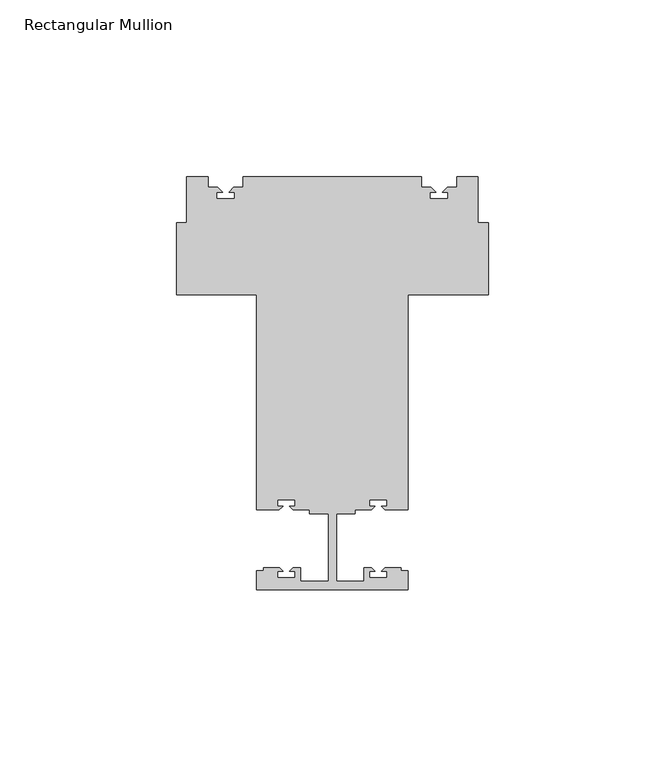
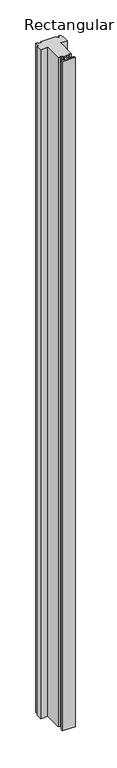
"""IFC4 building model written with IfcOpenShell, lengths in millimetres: member geometry, Rectangular Mullion."""

from ifc_helpers import new_model, si_unit, origin, place, context, project, spatial, faceted_brep, source, transform, mapped, element, save


def rectangular_mullion_779a1a0b(model_context):
    return source(origin(), model_context, "Body", "Brep", [
        faceted_brep([(21.43125, -44.45, 0.0), (21.43125, -39.0499999, 0.0), (19.4312697, -39.0499999, 0.0), (19.4312697, -38.1500001, 0.0), (14.956995, -38.1500001, 0.0), (13.9570068, -39.1499883, 0.0), (15.5312657, -39.1499883, 0.0), (15.5312657, -40.9499906, 0.0), (10.5312709, -40.9499906, 0.0), (10.5312709, -39.1499883, 0.0), (12.1054943, -39.1499883, 0.0), (11.1054957, -38.1499897, 0.0), (9.0312354, -38.1499897, 0.0), (9.0312354, -41.95, 0.0), (1.13125, -41.95, 0.0), (1.13125, -22.9499974, 0.0), (6.43125, -22.9499974, 0.0), (6.43125, -21.7499976, 0.0), (11.1055029, -21.7499976, 0.0), (12.1055174, -20.7499831, 0.0), (10.5312445, -20.7499831, 0.0), (10.5312445, -18.9499947, 0.0), (15.5312393, -18.9499947, 0.0), (15.5312393, -20.7499831, 0.0), (13.9617203, -20.7499831, 0.0), (14.9617331, -21.7499959, 0.0), (21.4313875, -21.7499976, 0.0), (21.4313875, 39.1493794, 0.0), (44.1312596, 39.1493794, 0.0), (44.1312596, 59.53125, 0.0), (41.2313739, 59.53125, 0.0), (41.2313739, 72.5068025, 0.0), (35.2311362, 72.5068025, 0.0), (35.2311362, 69.5068082, 0.0), (32.5568722, 69.5068082, 0.0), (31.1568721, 68.1068081, 0.0), (32.7811363, 68.1068081, 0.0), (32.7811363, 66.306808, 0.0), (27.681136, 66.306808, 0.0), (27.681136, 68.1068081, 0.0), (29.3054001, 68.1068081, 0.0), (27.9054, 69.5068082, 0.0), (25.2311362, 69.5068082, 0.0), (25.2311362, 72.5068025, 0.0), (-25.2311362, 72.5068025, 0.0), (-25.2311362, 69.5068082, 0.0), (-27.9054, 69.5068082, 0.0), (-29.3054001, 68.1068081, 0.0), (-27.681136, 68.1068081, 0.0), (-27.681136, 66.306808, 0.0), (-32.7811363, 66.306808, 0.0), (-32.7811363, 68.1068081, 0.0), (-31.1568721, 68.1068081, 0.0), (-32.5568722, 69.5068082, 0.0), (-35.2311362, 69.5068082, 0.0), (-35.2311362, 72.5068025, 0.0), (-41.2313739, 72.5068025, 0.0), (-41.2313739, 59.53125, 0.0), (-44.1312596, 59.53125, 0.0), (-44.1312596, 39.1493794, 0.0), (-21.4313875, 39.1493794, 0.0), (-21.4313875, -21.7499976, 0.0), (-15.0872273, -21.7499976, 0.0), (-13.9617203, -20.7499831, 0.0), (-15.5312393, -20.7499831, 0.0), (-15.5312393, -18.9499947, 0.0), (-10.5312445, -18.9499947, 0.0), (-10.5312445, -20.7499831, 0.0), (-12.1055174, -20.7499831, 0.0), (-11.1055029, -21.7499976, 0.0), (-6.43125, -21.7499976, 0.0), (-6.43125, -22.9499974, 0.0), (-1.13125, -22.9499974, 0.0), (-1.13125, -41.95, 0.0), (-9.0312354, -41.95, 0.0), (-9.0312354, -38.1499897, 0.0), (-11.1054957, -38.1499897, 0.0), (-12.1054943, -39.1499883, 0.0), (-10.5312709, -39.1499883, 0.0), (-10.5312709, -40.9499906, 0.0), (-15.5312657, -40.9499906, 0.0), (-15.5312657, -39.1499883, 0.0), (-13.9570068, -39.1499883, 0.0), (-14.956995, -38.1500001, 0.0), (-19.4312697, -38.1500001, 0.0), (-19.4312697, -39.0499999, 0.0), (-21.43125, -39.0499999, 0.0), (-21.43125, -44.45, 0.0), (21.43125, -44.45, -2336.8), (-21.43125, -44.45, -2336.8), (-21.43125, -39.0499999, -2336.8), (-19.4312697, -39.0499999, -2336.8), (-19.4312697, -38.1500001, -2336.8), (-14.956995, -38.1500001, -2336.8), (-13.9570068, -39.1499883, -2336.8), (-15.5312657, -39.1499883, -2336.8), (-15.5312657, -40.9499906, -2336.8), (-10.5312709, -40.9499906, -2336.8), (-10.5312709, -39.1499883, -2336.8), (-12.1054943, -39.1499883, -2336.8), (-11.1054957, -38.1499897, -2336.8), (-9.0312354, -38.1499897, -2336.8), (-9.0312354, -41.95, -2336.8), (-1.13125, -41.95, -2336.8), (-1.13125, -22.9499974, -2336.8), (-6.43125, -22.9499974, -2336.8), (-6.43125, -21.7499976, -2336.8), (-11.1055029, -21.7499976, -2336.8), (-12.1055174, -20.7499831, -2336.8), (-10.5312445, -20.7499831, -2336.8), (-10.5312445, -18.9499947, -2336.8), (-15.5312393, -18.9499947, -2336.8), (-15.5312393, -20.7499831, -2336.8), (-13.9617203, -20.7499831, -2336.8), (-14.9617331, -21.7499959, -2336.8), (-21.4313875, -21.7499976, -2336.8), (-21.4313875, 39.1493794, -2336.8), (-44.1312596, 39.1493794, -2336.8), (-44.1312596, 59.53125, -2336.8), (-41.2313739, 59.53125, -2336.8), (-41.2313739, 72.5068025, -2336.8), (-35.2311362, 72.5068025, -2336.8), (-35.2311362, 69.5068082, -2336.8), (-32.5568722, 69.5068082, -2336.8), (-31.1568721, 68.1068081, -2336.8), (-32.7811363, 68.1068081, -2336.8), (-32.7811363, 66.306808, -2336.8), (-27.681136, 66.306808, -2336.8), (-27.681136, 68.1068081, -2336.8), (-29.3054001, 68.1068081, -2336.8), (-27.9054, 69.5068082, -2336.8), (-25.2311362, 69.5068082, -2336.8), (-25.2311362, 72.5068025, -2336.8), (25.2311362, 72.5068025, -2336.8), (25.2311362, 69.5068082, -2336.8), (27.9054, 69.5068082, -2336.8), (29.3054001, 68.1068081, -2336.8), (27.681136, 68.1068081, -2336.8), (27.681136, 66.306808, -2336.8), (32.7811363, 66.306808, -2336.8), (32.7811363, 68.1068081, -2336.8), (31.1568721, 68.1068081, -2336.8), (32.5568722, 69.5068082, -2336.8), (35.2311362, 69.5068082, -2336.8), (35.2311362, 72.5068025, -2336.8), (41.2313739, 72.5068025, -2336.8), (41.2313739, 59.53125, -2336.8), (44.1312596, 59.53125, -2336.8), (44.1312596, 39.1493794, -2336.8), (21.4313875, 39.1493794, -2336.8), (21.4313875, -21.7499976, -2336.8), (15.0872273, -21.7499976, -2336.8), (13.9617203, -20.7499831, -2336.8), (15.5312393, -20.7499831, -2336.8), (15.5312393, -18.9499947, -2336.8), (10.5312445, -18.9499947, -2336.8), (10.5312445, -20.7499831, -2336.8), (12.1055174, -20.7499831, -2336.8), (11.1055029, -21.7499976, -2336.8), (6.43125, -21.7499976, -2336.8), (6.43125, -22.9499974, -2336.8), (1.13125, -22.9499974, -2336.8), (1.13125, -41.95, -2336.8), (9.0312354, -41.95, -2336.8), (9.0312354, -38.1499897, -2336.8), (11.1054957, -38.1499897, -2336.8), (12.1054943, -39.1499883, -2336.8), (10.5312709, -39.1499883, -2336.8), (10.5312709, -40.9499906, -2336.8), (15.5312657, -40.9499906, -2336.8), (15.5312657, -39.1499883, -2336.8), (13.9570068, -39.1499883, -2336.8), (14.956995, -38.1500001, -2336.8), (19.4312697, -38.1500001, -2336.8), (19.4312697, -39.0499999, -2336.8), (21.43125, -39.0499999, -2336.8)], [[[0, 1, 2, 3, 4, 5, 6, 7, 8, 9, 10, 11, 12, 13, 14, 15, 16, 17, 18, 19, 20, 21, 22, 23, 24, 25, 26, 27, 28, 29, 30, 31, 32, 33, 34, 35, 36, 37, 38, 39, 40, 41, 42, 43, 44, 45, 46, 47, 48, 49, 50, 51, 52, 53, 54, 55, 56, 57, 58, 59, 60, 61, 62, 63, 64, 65, 66, 67, 68, 69, 70, 71, 72, 73, 74, 75, 76, 77, 78, 79, 80, 81, 82, 83, 84, 85, 86, 87]], [[88, 89, 90, 91, 92, 93, 94, 95, 96, 97, 98, 99, 100, 101, 102, 103, 104, 105, 106, 107, 108, 109, 110, 111, 112, 113, 114, 115, 116, 117, 118, 119, 120, 121, 122, 123, 124, 125, 126, 127, 128, 129, 130, 131, 132, 133, 134, 135, 136, 137, 138, 139, 140, 141, 142, 143, 144, 145, 146, 147, 148, 149, 150, 151, 152, 153, 154, 155, 156, 157, 158, 159, 160, 161, 162, 163, 164, 165, 166, 167, 168, 169, 170, 171, 172, 173, 174, 175]], [[1, 0, 88, 175]], [[2, 1, 175, 174]], [[3, 2, 174, 173]], [[4, 3, 173, 172]], [[5, 4, 172, 171]], [[6, 5, 171, 170]], [[7, 6, 170, 169]], [[8, 7, 169, 168]], [[9, 8, 168, 167]], [[10, 9, 167, 166]], [[11, 10, 166, 165]], [[12, 11, 165, 164]], [[13, 12, 164, 163]], [[14, 13, 163, 162]], [[15, 14, 162, 161]], [[16, 15, 161, 160]], [[17, 16, 160, 159]], [[18, 17, 159, 158]], [[19, 18, 158, 157]], [[20, 19, 157, 156]], [[21, 20, 156, 155]], [[22, 21, 155, 154]], [[23, 22, 154, 153]], [[24, 23, 153, 152]], [[25, 24, 152, 151]], [[26, 25, 151, 150]], [[27, 26, 150, 149]], [[28, 27, 149, 148]], [[29, 28, 148, 147]], [[30, 29, 147, 146]], [[31, 30, 146, 145]], [[32, 31, 145, 144]], [[33, 32, 144, 143]], [[34, 33, 143, 142]], [[35, 34, 142, 141]], [[36, 35, 141, 140]], [[37, 36, 140, 139]], [[38, 37, 139, 138]], [[39, 38, 138, 137]], [[40, 39, 137, 136]], [[41, 40, 136, 135]], [[42, 41, 135, 134]], [[43, 42, 134, 133]], [[44, 43, 133, 132]], [[45, 44, 132, 131]], [[46, 45, 131, 130]], [[47, 46, 130, 129]], [[48, 47, 129, 128]], [[49, 48, 128, 127]], [[50, 49, 127, 126]], [[51, 50, 126, 125]], [[52, 51, 125, 124]], [[53, 52, 124, 123]], [[54, 53, 123, 122]], [[55, 54, 122, 121]], [[56, 55, 121, 120]], [[57, 56, 120, 119]], [[58, 57, 119, 118]], [[59, 58, 118, 117]], [[60, 59, 117, 116]], [[61, 60, 116, 115]], [[62, 61, 115, 114]], [[63, 62, 114, 113]], [[64, 63, 113, 112]], [[65, 64, 112, 111]], [[66, 65, 111, 110]], [[67, 66, 110, 109]], [[68, 67, 109, 108]], [[69, 68, 108, 107]], [[70, 69, 107, 106]], [[71, 70, 106, 105]], [[72, 71, 105, 104]], [[73, 72, 104, 103]], [[74, 73, 103, 102]], [[75, 74, 102, 101]], [[76, 75, 101, 100]], [[77, 76, 100, 99]], [[78, 77, 99, 98]], [[79, 78, 98, 97]], [[80, 79, 97, 96]], [[81, 80, 96, 95]], [[82, 81, 95, 94]], [[83, 82, 94, 93]], [[84, 83, 93, 92]], [[85, 84, 92, 91]], [[86, 85, 91, 90]], [[87, 86, 90, 89]], [[0, 87, 89, 88]]]),
    ])


if __name__ == "__main__":
    model = new_model("IFC4")
    model_context = context("Model", 3, world=origin())
    ifc_project = project(units=[si_unit("LENGTHUNIT", "METRE", prefix="MILLI")], contexts=[model_context])
    site = spatial("IfcSite", under=ifc_project)
    building = spatial("IfcBuilding", under=site)
    placement = place(None, origin())
    rectangular_mullion_shape = rectangular_mullion_779a1a0b(model_context)
    element("IfcMember", 1, ObjectType="Rectangular Mullion", at=placement, inside=building, context=model_context, shape_type="MappedRepresentation", body=[
        mapped(rectangular_mullion_shape, transform((0.0, 0.0, 0.0), x_axis=(1.0, 0.0, 0.0), y_axis=(0.0, 1.0, 0.0), z_axis=(0.0, 0.0, 1.0))),
    ])
    save(model, "model.ifc")
